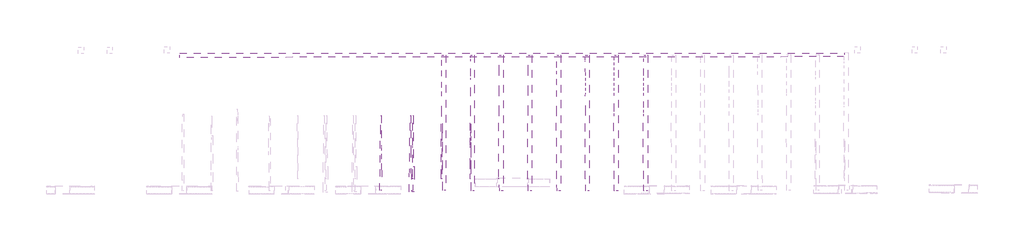
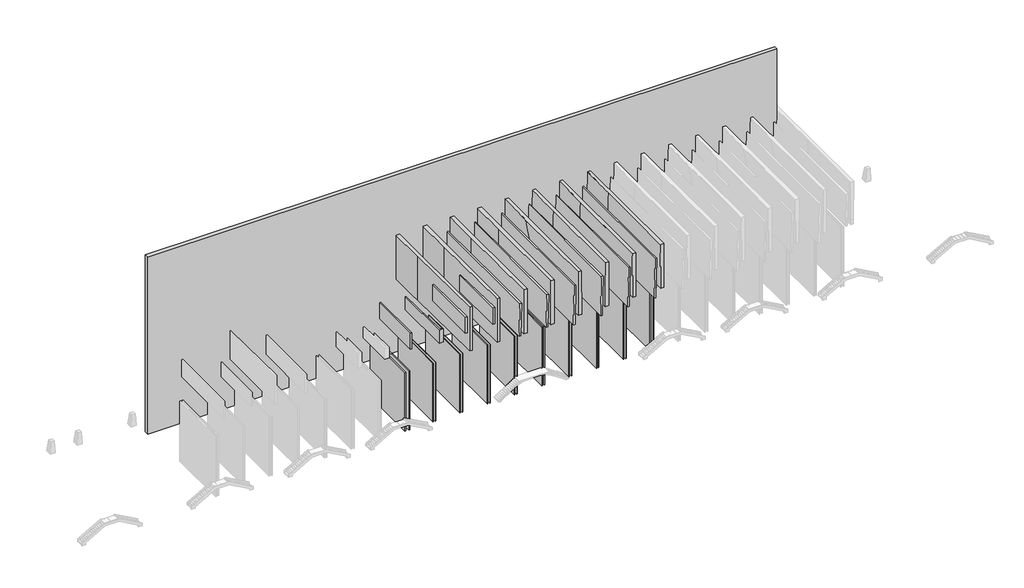
# One storey, part 8 of 9: 11 proxies.
"""IFC4 building model written with IfcOpenShell, lengths in millimetres."""

import ifcopenshell
import ifcopenshell.guid

model = None  # the IFC model being written
_history = None  # IfcOwnerHistory: only IFC2X3 demands one
_inside = {}  # id of a spatial element -> (the spatial element, [elements in it])
_under = {}  # id of a project, library or spatial element -> (it, [spatial elements below it])
_declared = {}  # id of a project -> (the project, [libraries it declares])
_typed = {}  # id of a type object -> (the type object, [elements of that type])
_made_of = {}  # id of a material, layer set ... -> (it, [elements and type objects made of it])


def new_model(schema):
    """Start an empty IFC model of exactly this schema.

    Asked for "IFC4X3", IfcOpenShell would pick the latest addendum, in which some entities
    have other attributes; the version numbers below select the first issue.
    IFC2X3 requires an IfcOwnerHistory on every rooted entity: one is made here for all.
    """
    global model, _history
    if schema == "IFC4X3":
        model = ifcopenshell.file(schema_version=(4, 3, 0, 0))
    else:
        model = ifcopenshell.file(schema=schema)
    _inside.clear()
    _under.clear()
    _declared.clear()
    _typed.clear()
    _made_of.clear()
    _history = None
    if model.schema == "IFC2X3":
        org = make("IfcOrganization", Name="unknown")
        user = make(
            "IfcPersonAndOrganization",
            ThePerson=make("IfcPerson", FamilyName="unknown"),
            TheOrganization=org,
        )
        app = make(
            "IfcApplication",
            ApplicationDeveloper=org,
            Version="unknown",
            ApplicationFullName="unknown",
            ApplicationIdentifier="unknown",
        )
        _history = make(
            "IfcOwnerHistory",
            OwningUser=user,
            OwningApplication=app,
            ChangeAction="ADDED",
            CreationDate=0,
        )
    return model


def make(cls, **values):
    """One entity of the class cls with the attributes given. An attribute that is None is left unset."""
    return model.create_entity(
        cls, **{name: value for name, value in values.items() if value is not None}
    )


def rooted(cls, **values):
    """An entity with a GlobalId (a new one), such as an element, a storey or a relation."""
    return make(cls, GlobalId=ifcopenshell.guid.new(), OwnerHistory=_history, **values)


def si_unit(unit_type, name, prefix=None):
    """IfcSIUnit, for example si_unit("LENGTHUNIT", "METRE", prefix="MILLI")."""
    return make("IfcSIUnit", UnitType=unit_type, Prefix=prefix, Name=name)


def assignment(units):
    """IfcUnitAssignment: the units of a project."""
    return None if units is None else make("IfcUnitAssignment", Units=units)


def point(xyz):
    """IfcCartesianPoint."""
    return None if xyz is None else make("IfcCartesianPoint", Coordinates=xyz)


def direction(xyz):
    """IfcDirection."""
    return None if xyz is None else make("IfcDirection", DirectionRatios=xyz)


def frame(location, z_axis=None, x_axis=None):
    """IfcAxis2Placement3D, a coordinate frame: its origin and axes. An axis left out is left unset."""
    return make(
        "IfcAxis2Placement3D",
        Location=point(location),
        Axis=direction(z_axis),
        RefDirection=direction(x_axis),
    )


def origin():
    """The frame at (0, 0, 0) with its axes left unset."""
    return frame((0.0, 0.0, 0.0))


def place(relative_to, where):
    """IfcLocalPlacement: puts the frame where relative to a parent placement (None: the world)."""
    return make(
        "IfcLocalPlacement", PlacementRelTo=relative_to, RelativePlacement=where
    )


def context(
    kind, dimensions, precision=None, world=None, true_north=None, identifier=None
):
    """IfcGeometricRepresentationContext, for example the 3D "Model" context."""
    return make(
        "IfcGeometricRepresentationContext",
        ContextIdentifier=identifier,
        ContextType=kind,
        CoordinateSpaceDimension=dimensions,
        Precision=precision,
        WorldCoordinateSystem=world,
        TrueNorth=true_north,
    )


def project(units=None, contexts=None):
    """IfcProject with its units and contexts."""
    return rooted(
        "IfcProject",
        Name="project",
        RepresentationContexts=contexts,
        UnitsInContext=assignment(units),
    )


def spatial(cls, under=None, at=None, **own):
    """A site, building, storey or space (cls), placed at a placement, below another one or the project."""
    s = rooted(cls, ObjectPlacement=at, **own)
    if under is not None:
        _under.setdefault(under.id(), (under, []))[1].append(s)
    return s


def polyline(points):
    """IfcPolyline through the points."""
    return make("IfcPolyline", Points=[point(p) for p in points])


def outline(outer, holes=None, kind="AREA"):
    """IfcArbitraryClosedProfileDef: a profile drawn as a closed curve; with holes, ...WithVoids."""
    if holes is None:
        return make("IfcArbitraryClosedProfileDef", ProfileType=kind, OuterCurve=outer)
    return make(
        "IfcArbitraryProfileDefWithVoids",
        ProfileType=kind,
        OuterCurve=outer,
        InnerCurves=holes,
    )


def extrude(swept, where, along, depth):
    """IfcExtrudedAreaSolid: the profile swept, set in the frame where, extruded along a direction by depth."""
    return make(
        "IfcExtrudedAreaSolid",
        SweptArea=swept,
        Position=where,
        ExtrudedDirection=direction(along),
        Depth=depth,
    )


def faces_of(points, faces, orient=None, outer=None):
    """IfcFace entities. A face is a list of loops; a loop is a list of indices into points, from 0.

    orient and outer hold one flag for each loop. By default every Orientation is true, the
    first loop of a face is its IfcFaceOuterBound and the others are IfcFaceBound.
    """
    made = []
    for i, loops in enumerate(faces):
        bounds = []
        for j, loop in enumerate(loops):
            is_outer = j == 0 if outer is None else outer[i][j]
            bounds.append(
                make(
                    "IfcFaceOuterBound" if is_outer else "IfcFaceBound",
                    Bound=make("IfcPolyLoop", Polygon=[points[k] for k in loop]),
                    Orientation=True if orient is None else orient[i][j],
                )
            )
        made.append(make("IfcFace", Bounds=bounds))
    return made


def faceted_brep(points, faces, orient=None, outer=None, voids=None):
    """IfcFacetedBrep: a solid bounded by flat faces; with voids (closed shells), ...WithVoids."""
    shared = [point(p) for p in points]
    hull = make("IfcClosedShell", CfsFaces=faces_of(shared, faces, orient, outer))
    if voids is None:
        return make("IfcFacetedBrep", Outer=hull)
    return make(
        "IfcFacetedBrepWithVoids",
        Outer=hull,
        Voids=[
            make(cls, CfsFaces=faces_of(shared, fs, o, b)) for cls, fs, o, b in voids
        ],
    )


def shape(context_of_items, identifier, shape_type, items):
    """IfcShapeRepresentation: the items that make up one representation, for example the "Body"."""
    return make(
        "IfcShapeRepresentation",
        ContextOfItems=context_of_items,
        RepresentationIdentifier=identifier,
        RepresentationType=shape_type,
        Items=items,
    )


def made_of(thing, what):
    """Note that an element or type object is made of a material, layer set ...; save() writes the relation."""
    if what is not None:
        _made_of.setdefault(what.id(), (what, []))[1].append(thing)
    return thing


def element(
    cls,
    number,
    at=None,
    inside=None,
    cuts=None,
    type_object=None,
    material=None,
    context=None,
    identifier="Body",
    shape_type=None,
    held_by="IfcProductDefinitionShape",
    body=None,
    shapes=None,
    **own,
):
    """One element of the class cls, such as IfcWall. Its Tag is "e" and its number.

    at: its placement. inside: the storey or other place that contains it. cuts: it is an
    opening in that element (IfcRelVoidsElement). A single representation is given by context,
    identifier, shape_type and body (its items); several are given by shapes. held_by: the class
    of the entity that holds the representations. save() writes the other relations.
    """
    e = rooted(cls, Tag="e%d" % number, ObjectPlacement=at, **own)
    if body is not None:
        shapes = [shape(context, identifier, shape_type, body)]
    if shapes is not None:
        e.Representation = make(held_by, Representations=shapes)
    if inside is not None:
        _inside.setdefault(inside.id(), (inside, []))[1].append(e)
    if cuts is not None:
        rooted(
            "IfcRelVoidsElement", RelatingBuildingElement=cuts, RelatedOpeningElement=e
        )
    if type_object is not None:
        _typed.setdefault(type_object.id(), (type_object, []))[1].append(e)
    return made_of(e, material)


def aggregate(whole, parts):
    """IfcRelAggregates: a whole, such as a stair, and the parts it consists of."""
    return rooted("IfcRelAggregates", RelatingObject=whole, RelatedObjects=parts)


def save(model, path):
    """Write the relations noted so far, then the file.

    IfcRelAggregates (storeys below a building ...), IfcRelContainedInSpatialStructure (elements
    in a storey), IfcRelDefinesByType, IfcRelAssociatesMaterial and IfcRelDeclares: one each for
    every whole, place, type object, material and project.
    """
    for whole, parts in _under.values():
        aggregate(whole, parts)
    for where, things in _inside.values():
        rooted(
            "IfcRelContainedInSpatialStructure",
            RelatedElements=things,
            RelatingStructure=where,
        )
    for kind, things in _typed.values():
        rooted("IfcRelDefinesByType", RelatedObjects=things, RelatingType=kind)
    for what, things in _made_of.values():
        rooted("IfcRelAssociatesMaterial", RelatedObjects=things, RelatingMaterial=what)
    for by, libraries in _declared.values():
        rooted("IfcRelDeclares", RelatingContext=by, RelatedDefinitions=libraries)
    model.write(path)


def plane_surface(at):
    """IfcPlane: the flat surface through the origin of the frame at, square to its z axis."""
    return make("IfcPlane", Position=at)


def spline_surface(u_degree, v_degree, points, u_multiplicities, v_multiplicities, u_knots, v_knots, weights=None):
    """IfcBSplineSurfaceWithKnots; with weights, IfcRationalBSplineSurfaceWithKnots. points: one row for each step in u."""
    own = dict(
        UDegree=u_degree,
        VDegree=v_degree,
        ControlPointsList=[[point(p) for p in row] for row in points],
        SurfaceForm="UNSPECIFIED",
        UClosed=False,
        VClosed=False,
        SelfIntersect=False,
        UMultiplicities=u_multiplicities,
        VMultiplicities=v_multiplicities,
        UKnots=u_knots,
        VKnots=v_knots,
        KnotSpec="UNSPECIFIED",
    )
    if weights is None:
        return make("IfcBSplineSurfaceWithKnots", **own)
    return make("IfcRationalBSplineSurfaceWithKnots", WeightsData=weights, **own)


def advanced_brep(points, edges, surfaces, faces):
    """IfcAdvancedBrep: a solid bounded by faces that lie on surfaces and meet in shared edges.

    An edge is (start, end): straight between two places in points (the first is 0);
    or (start, end, curve); or (start, end, curve, False) where it runs against its curve.
    A face is (place in surfaces, loops), or (place, loops, False) where it looks against
    its surface's normal. A loop lists edges by number (the first is 1), with a minus sign
    where the edge is run from its end to its start. The first loop is the outer one.
    """
    corners = [point(p) for p in points]
    vertices = [make("IfcVertexPoint", VertexGeometry=c) for c in corners]
    made = []
    for start, end, *more in edges:
        made.append(
            make(
                "IfcEdgeCurve",
                EdgeStart=vertices[start],
                EdgeEnd=vertices[end],
                EdgeGeometry=more[0] if more else make("IfcPolyline", Points=[corners[start], corners[end]]),
                SameSense=more[1] if len(more) > 1 else True,
            )
        )
    hull = []
    for where, loops, *sense in faces:
        bounds = []
        for j, loop in enumerate(loops):
            ring = [make("IfcOrientedEdge", EdgeElement=made[abs(k) - 1], Orientation=k > 0) for k in loop]
            bounds.append(
                make(
                    "IfcFaceOuterBound" if j == 0 else "IfcFaceBound",
                    Bound=make("IfcEdgeLoop", EdgeList=ring),
                    Orientation=True,
                )
            )
        hull.append(make("IfcAdvancedFace", Bounds=bounds, FaceSurface=surfaces[where], SameSense=sense[0] if sense else True))
    return make("IfcAdvancedBrep", Outer=make("IfcClosedShell", CfsFaces=hull))


model = new_model("IFC4")

# Units and contexts
model_context = context("Model", 3, world=origin())
ifc_project = project(units=[si_unit("LENGTHUNIT", "METRE", prefix="MILLI")], contexts=[model_context])

# Site, building, storey
site = spatial("IfcSite", under=ifc_project)
building = spatial("IfcBuilding", under=site)
storey = spatial("IfcBuildingStorey", under=building, Elevation=-6062.0)

# Proxies
placement = place(None, origin())
element("IfcBuildingElementProxy", 1, Name="Massa 10 : Massa 1", ObjectType="Massa 10 : Massa 1", at=placement, inside=storey, context=model_context, shape_type="Brep", body=[
    faceted_brep([(-6947.1671904, 102842.4138944, -3119.1914409), (-6960.4124005, 113392.808065, -3119.1914409), (-6960.4124005, 113392.808065, 7747.0), (-6947.1671904, 102842.4138944, 7747.0), (-7056.8243438, 113392.6870272, -3119.1914409), (-7056.8243438, 113392.6870272, 4529.2990235), (-7056.8243438, 113392.6870272, 6280.1925419), (-7056.8243438, 113392.6870272, 7747.0), (-7050.5489488, 108394.05802, -3119.1914409), (-7050.1343227, 108063.7900495, -3119.1914409), (-7044.0033937, 103180.2346763, -3119.1914409), (-7043.6046877, 102862.647744, -3119.1914409), (-7043.5791337, 102842.2928566, -3119.1914409), (-7043.5791337, 102842.2928566, 7747.0)], [[[0, 1, 2, 3]], [[1, 4, 5, 6, 7, 2]], [[4, 8, 9, 10, 11, 12, 13, 7, 6, 5]], [[12, 0, 3, 13]], [[3, 2, 7, 13]], [[0, 12, 11, 10, 9, 8, 4, 1]]]),
    faceted_brep([(-7447.0869551, 102834.5982087, -3119.1914409), (-7352.8720596, 102834.7164883, -3119.1914409), (-7352.8720596, 102834.7164883, 7747.0), (-7447.0869551, 102834.5982087, 7747.0), (-7352.9066377, 102862.2594392, -3119.1914409), (-7353.3053437, 103179.8463714, -3119.1914409), (-7359.4362726, 108063.4017446, -3119.1914409), (-7359.8508987, 108393.6697152, -3119.1914409), (-7366.1262937, 113392.2987223, -3119.1914409), (-7366.1262937, 113392.2987223, 4529.2990235), (-7366.1262937, 113392.2987223, 6280.1925419), (-7366.1262937, 113392.2987223, 7747.0), (-7460.3411892, 113392.1804428, -3119.1914409), (-7460.3411892, 113392.1804428, 7747.0)], [[[0, 1, 2, 3]], [[1, 4, 5, 6, 7, 8, 9, 10, 11, 2]], [[8, 12, 13, 11, 10, 9]], [[12, 0, 3, 13]], [[2, 11, 13, 3]], [[0, 12, 8, 7, 6, 5, 4, 1]]]),
    faceted_brep([(-7002.6356925, 116647.5321907, 9285.0423205), (-6853.405449, 100875.4602083, 9285.0423205), (-6853.405449, 100875.4602083, 17350.0), (-7002.6356925, 116647.5321907, 17350.0), (-7002.6356925, 116647.5321907, 13615.9286409), (-7002.6356925, 116647.5321907, 12610.726002), (-7002.6356925, 116647.5321907, 11553.5332284), (-7002.6356925, 116647.5321907, 10503.789498), (-6354.958483, 100875.9116131, 9285.0423205), (-6354.958483, 100875.9116131, 17350.0), (-6375.3720445, 123416.8324071, 9285.0423205), (-6375.3720445, 123416.8324071, 17350.0), (-7011.1333065, 123416.2566475, 9285.0423205), (-7011.1333065, 123416.2566475, 17350.0), (-7010.7005599, 123071.554893, 9285.0423205), (-7009.8890036, 122425.1144397, 9285.0423205), (-7006.7696378, 119940.4019966, 9285.0423205), (-7004.3897139, 118044.6876443, 9285.0423205)], [[[0, 1, 2, 3, 4, 5, 6, 7]], [[1, 8, 9, 2]], [[8, 10, 11, 9]], [[10, 12, 13, 11]], [[12, 14, 15, 16, 17, 0, 7, 6, 5, 4, 3, 13]], [[13, 3, 2, 9, 11]], [[0, 17, 16, 15, 14, 12, 10, 8, 1]]]),
    faceted_brep([(-7587.3033654, 100973.5972585, 12781.3636914), (-7211.8843999, 100973.3879499, 12781.3636914), (-7211.8843999, 100973.3879499, 15781.3636914), (-7587.3033654, 100973.5972585, 15781.3636914), (-7409.4979317, 110938.2893219, 12781.3636914), (-7409.4979317, 110938.2893219, 13032.4667996), (-7409.4979317, 110938.2893219, 14467.9795699), (-7409.4979317, 110938.2893219, 15781.3636914), (-7572.2208039, 110939.2049324, 12781.3636914), (-7572.2208039, 110939.2049324, 15781.3636914)], [[[0, 1, 2, 3]], [[1, 4, 5, 6, 7, 2]], [[4, 8, 9, 7, 6, 5]], [[8, 0, 3, 9]], [[3, 2, 7, 9]], [[0, 8, 4, 1]]]),
])
element("IfcBuildingElementProxy", 2, Name="Massa 11 : Massa 1", ObjectType="Massa 11 : Massa 1", at=placement, inside=storey, context=model_context, shape_type="Brep", body=[
    faceted_brep([(-2203.1523087, 102846.6103539, -3119.1914409), (-2212.1531588, 113397.0089991, -3119.1914409), (-2212.1531588, 113397.0089991, 7747.0), (-2203.1523087, 102846.6103539, 7747.0), (-2250.2937989, 113396.9764602, -3119.1914409), (-2308.5651431, 113396.9267473, -3119.1914409), (-2308.5651431, 113396.9267473, 6280.1925419), (-2308.5651431, 113396.9267473, 7747.0), (-2308.5614778, 113392.6304582, -3119.1914409), (-2304.2842041, 108378.9993365, -3119.1914409), (-2304.0345119, 108086.3212135, -3119.1914409), (-2299.857467, 103190.1737723, -3119.1914409), (-2299.577993, 102862.586709, -3119.1914409), (-2299.5642929, 102846.528102, -3119.1914409), (-2299.5642929, 102846.528102, 7747.0)], [[[0, 1, 2, 3]], [[1, 4, 5, 6, 7, 2]], [[5, 8, 9, 10, 11, 12, 13, 14, 7, 6]], [[13, 0, 3, 14]], [[3, 2, 7, 14]], [[0, 13, 12, 11, 10, 9, 8, 5, 4, 1]]]),
    faceted_brep([(-2703.0751771, 102838.9957834, -3119.1914409), (-2608.8602417, 102839.0761609, -3119.1914409), (-2608.8602417, 102839.0761609, 7747.0), (-2703.0751771, 102838.9957834, 7747.0), (-2608.8800741, 102862.3228344, -3119.1914409), (-2609.1595481, 103189.9098977, -3119.1914409), (-2613.336593, 108086.057339, -3119.1914409), (-2613.5862852, 108378.7354619, -3119.1914409), (-2617.8635589, 113392.3665837, -3119.1914409), (-2617.8672242, 113396.6628727, -3119.1914409), (-2617.8672242, 113396.6628727, 6280.1925419), (-2617.8672242, 113396.6628727, 7747.0), (-2670.293646, 113396.6181462, -3119.1914409), (-2712.0821596, 113396.5824952, -3119.1914409), (-2712.0821596, 113396.5824952, 7747.0)], [[[0, 1, 2, 3]], [[1, 4, 5, 6, 7, 8, 9, 10, 11, 2]], [[9, 12, 13, 14, 11, 10]], [[13, 0, 3, 14]], [[2, 11, 14, 3]], [[0, 13, 12, 9, 8, 7, 6, 5, 4, 1]]]),
    faceted_brep([(-2253.0670919, 116651.7498477, 9233.246536), (-2209.0957233, 100877.8980794, 9233.246536), (-2209.0957233, 100877.8980794, 17350.0), (-2253.0670919, 116651.7498477, 17350.0), (-2253.0670919, 116651.7498477, 13610.6845079), (-2253.0670919, 116651.7498477, 12627.4488446), (-2253.0670919, 116651.7498477, 11532.349844), (-2253.0670919, 116651.7498477, 10487.4192595), (-1611.7339198, 100878.1987485, 9233.246536), (-1611.7339198, 100878.1987485, 17350.0), (-1623.0802468, 123420.7971719, 9233.246536), (-1623.0802468, 123420.7971719, 17350.0), (-2258.841689, 123420.4771752, 9233.246536), (-2258.841689, 123420.4771752, 17350.0)], [[[0, 1, 2, 3, 4, 5, 6, 7]], [[1, 8, 9, 2]], [[8, 10, 11, 9]], [[10, 12, 13, 11]], [[12, 0, 7, 6, 5, 4, 3, 13]], [[13, 3, 2, 9, 11]], [[0, 12, 10, 8, 1]]]),
    faceted_brep([(-2936.2853336, 100978.051392, 8978.522173), (-2630.7794565, 100977.758159, 8978.522173), (-2513.6847838, 100977.758159, 14928.9790117), (-2819.1906608, 100978.051392, 14928.9790117), (-2728.7755516, 123465.9789831, 8978.522173), (-2611.6808789, 123465.9789831, 14928.9790117), (-2891.4980423, 123466.960056, 8978.522173), (-2774.4033695, 123466.960056, 14928.9790117)], [[[0, 1, 2, 3]], [[1, 4, 5, 2]], [[4, 6, 7, 5]], [[6, 0, 3, 7]], [[3, 2, 5, 7]], [[0, 6, 4, 1]]]),
])
element("IfcBuildingElementProxy", 3, Name="Massa 12 : Massa 1", ObjectType="Massa 12 : Massa 1", at=placement, inside=storey, context=model_context, shape_type="Brep", body=[
    faceted_brep([(2587.0678008, 102856.6103539, -3119.1914409), (2578.0706159, 113402.7127101, -3119.1914409), (2578.0706159, 113402.7127101, 7747.0), (2587.0678008, 102856.6103539, 7747.0), (2481.6586316, 113402.6304582, -3119.1914409), (2481.6586316, 113402.6304582, 7747.0), (2485.9359053, 108388.9993365, -3119.1914409), (2486.2021253, 108076.9480765, -3119.1914409), (2490.3626425, 103200.1737723, -3119.1914409), (2490.6421165, 102872.586709, -3119.1914409), (2490.6558165, 102856.528102, -3119.1914409), (2490.6558165, 102856.528102, 7747.0)], [[[0, 1, 2, 3]], [[1, 4, 5, 2]], [[4, 6, 7, 8, 9, 10, 11, 5]], [[10, 0, 3, 11]], [[3, 2, 5, 11]], [[0, 10, 9, 8, 7, 6, 4, 1]]]),
    faceted_brep([(2087.1449323, 102848.9957834, -3119.1914409), (2181.3598678, 102849.0761609, -3119.1914409), (2181.3598678, 102849.0761609, 7747.0), (2087.1449323, 102848.9957834, 7747.0), (2181.3400354, 102872.3228344, -3119.1914409), (2181.0605614, 103199.9098977, -3119.1914409), (2176.9000442, 108076.684202, -3119.1914409), (2176.6338242, 108388.7354619, -3119.1914409), (2172.3565505, 113402.3665837, -3119.1914409), (2172.3565505, 113402.3665837, 7747.0), (2078.1416151, 113402.2862062, -3119.1914409), (2078.1416151, 113402.2862062, 7747.0)], [[[0, 1, 2, 3]], [[1, 4, 5, 6, 7, 8, 9, 2]], [[8, 10, 11, 9]], [[10, 0, 3, 11]], [[2, 9, 11, 3]], [[0, 10, 8, 7, 6, 5, 4, 1]]]),
    faceted_brep([(2537.1530175, 116661.7498477, 9233.246536), (2549.94694, 100887.882387, 9233.246536), (2549.94694, 100887.882387, 17350.0), (2537.1530175, 116661.7498477, 17350.0), (2537.1530175, 116661.7498477, 13620.4148919), (2537.1530175, 116661.7498477, 12627.4488446), (2537.1530175, 116661.7498477, 11532.349844), (2537.1530175, 116661.7498477, 10487.4626875), (3147.3087434, 100888.183056, 9233.246536), (3147.3087434, 100888.183056, 17350.0), (3167.1398627, 123430.7971719, 9233.246536), (3167.1398627, 123430.7971719, 17350.0), (2531.3784205, 123430.4771752, 9233.246536), (2531.3784205, 123430.4771752, 17350.0)], [[[0, 1, 2, 3, 4, 5, 6, 7]], [[1, 8, 9, 2]], [[8, 10, 11, 9]], [[10, 12, 13, 11]], [[12, 0, 7, 6, 5, 4, 3, 13]], [[13, 3, 2, 9, 11]], [[0, 12, 10, 8, 1]]]),
    faceted_brep([(1797.3793943, 100988.1056754, 8978.522173), (2102.8852714, 100987.8124424, 8978.522173), (2219.9799441, 100987.8124424, 14928.9790117), (1914.474067, 100988.1056754, 14928.9790117), (2061.4445578, 123475.9789831, 8978.522173), (2178.5392306, 123475.9789831, 14928.9790117), (1898.7220672, 123476.960056, 8978.522173), (2015.8167399, 123476.960056, 14928.9790117)], [[[0, 1, 2, 3]], [[1, 4, 5, 2]], [[4, 6, 7, 5]], [[6, 0, 3, 7]], [[3, 2, 5, 7]], [[0, 6, 4, 1]]]),
])
element("IfcBuildingElementProxy", 4, Name="Massa 13 : Massa 1", ObjectType="Massa 13 : Massa 1", at=placement, inside=storey, context=model_context, shape_type="SolidModel", body=[
    faceted_brep([(7355.9420763, 102851.5398285, -3119.1914409), (7325.1561149, 113397.6010877, -3119.1914409), (7325.1561149, 113397.6010877, 7747.0), (7355.9420763, 102851.5398285, 7747.0), (7228.7445064, 113397.3196438, -3119.1914409), (7228.7445064, 113397.3196438, 4536.645908), (7228.7445064, 113397.3196438, 6280.1925419), (7228.7445064, 113397.3196438, 7747.0), (7243.356948, 108391.6710445, -3119.1914409), (7244.3495106, 108051.658101, -3119.1914409), (7258.5273046, 103194.9027158, -3119.1914409), (7259.4835899, 102867.3169291, -3119.1914409), (7259.5304678, 102851.2583847, -3119.1914409), (7259.5304678, 102851.2583847, 7747.0)], [[[0, 1, 2, 3]], [[1, 4, 5, 6, 7, 2]], [[4, 8, 9, 10, 11, 12, 13, 7, 6, 5]], [[12, 0, 3, 13]], [[3, 2, 7, 13]], [[0, 12, 11, 10, 9, 8, 4, 1]]]),
    faceted_brep([(6856.036007, 102842.8924077, -3119.1914409), (6950.2505753, 102843.167438, -3119.1914409), (6950.2505753, 102843.167438, 7747.0), (6856.036007, 102842.8924077, 7747.0), (6950.1827141, 102866.4140209, -3119.1914409), (6949.2264288, 103193.9998076, -3119.1914409), (6935.0486348, 108050.7551928, -3119.1914409), (6934.0560722, 108390.7681363, -3119.1914409), (6919.4436306, 113396.4167357, -3119.1914409), (6919.4436306, 113396.4167357, 4536.645908), (6919.4436306, 113396.4167357, 6280.1925419), (6919.4436306, 113396.4167357, 7747.0), (6825.2290623, 113396.1417054, -3119.1914409), (6825.2290623, 113396.1417054, 7747.0)], [[[0, 1, 2, 3]], [[1, 4, 5, 6, 7, 8, 9, 10, 11, 2]], [[8, 12, 13, 11, 10, 9]], [[12, 0, 3, 13]], [[2, 11, 13, 3]], [[0, 12, 8, 7, 6, 5, 4, 1]]]),
    advanced_brep(
    [(7287.0156235, 113397.4897483, 9285.0423205), (7337.1553372, 100882.7393698, 9285.0423205), (7322.8887891, 100882.7393698, 17350.0), (7277.5052637, 116656.5467317, 17350.0), (7281.5610561, 115266.687785, 13910.6144222), (7284.0938512, 114398.7370775, 11762.7582296), (7934.5152445, 100884.2742188, 9285.0423205), (7920.2486964, 100884.2742188, 17350.0), (7907.7721087, 123426.8811944, 9285.0423205), (7893.5055606, 123426.8811944, 17350.0), (7257.7427952, 123425.2110173, 9285.0423205), (7371.043018, 123425.5387858, 17350.0)],
    [
        (0, 1),
        (1, 2),
        (2, 3),
        (3, 4),
        (4, 5),
        (5, 0),
        (1, 6),
        (6, 7),
        (7, 2),
        (6, 8),
        (8, 9),
        (9, 7),
        (8, 10),
        (10, 11),
        (11, 9),
        (10, 0),
        (3, 11),
    ],
    [
        spline_surface(1, 1, [[(7287.0156235, 113397.4897483, 9285.0423205), (7277.5052637, 116656.5467317, 17350.0)], [(7337.1553372, 100882.7393698, 9285.0423205), (7322.8887891, 100882.7393698, 17350.0)]], [2, 2], [2, 2], [0.0, 1.0], [0.0, 1.0]),
        plane_surface(frame((7635.8352909, 100883.5067943, 9285.0423205), z_axis=(0.002569378854948867, -0.999996699130373, 4.545115854792754e-06), x_axis=(0.999996699140702, 0.002569378854975406, 0.0))),
        plane_surface(frame((7921.1436766, 112155.5777066, 9285.0423205), z_axis=(0.9999977317085122, 0.0011863346247768978, 0.001768951098453295), x_axis=(-0.001186336480913283, 0.9999992963026295, 0.0))),
        plane_surface(frame((7582.7574519, 123426.0461059, 9285.0423205), z_axis=(-0.0025693788549357686, 0.9999966991303731, -4.545114233952117e-06), x_axis=(-0.9999966991407021, -0.0025693788549623077, 0.0))),
        spline_surface(1, 1, [[(7257.7427952, 123425.2110173, 9285.0423205), (7371.043018, 123425.5387858, 17350.0)], [(7287.0156235, 113397.4897483, 9285.0423205), (7277.5052637, 116656.5467317, 17350.0)]], [2, 2], [2, 2], [0.0, 1.0], [0.0, 1.0]),
        plane_surface(frame((7557.0382656, 113055.1960601, 17350.0), z_axis=(0.0, 0.0, 1.0), x_axis=(-0.013817245488290003, -0.9999045373069952, 0.0))),
        plane_surface(frame((7544.8402218, 112403.3191097, 9285.0423205), z_axis=(0.0, 0.0, -1.0), x_axis=(-0.0029191780248704847, 0.9999957391907524, 0.0))),
    ],
    [
        (0, [[1, 2, 3, 4, 5, 6]]),
        (1, [[7, 8, 9, -2]]),
        (2, [[10, 11, 12, -8]]),
        (3, [[13, 14, 15, -11]]),
        (4, [[16, -6, -5, -4, 17, -14]]),
        (5, [[-17, -3, -9, -12, -15]]),
        (6, [[-16, -13, -10, -7, -1]]),
    ],
),
    advanced_brep(
    [(6554.595875, 100981.4076007, 7747.0), (6847.7912307, 100981.6974396, 7747.0), (6992.7160368, 100981.9874831, 14928.9790117), (6687.2102059, 100981.6495244, 14928.9790117), (6795.0847597, 123469.5799917, 7747.0), (6940.0095657, 123469.8700352, 14928.9790117), (6609.4751892, 123470.4233629, 7747.0), (6742.0895202, 123470.6652865, 14928.9790117)],
    [
        (0, 1),
        (1, 2),
        (2, 3),
        (3, 0),
        (1, 4),
        (4, 5),
        (5, 2),
        (4, 6),
        (6, 7),
        (7, 5),
        (6, 0),
        (3, 7),
    ],
    [
        spline_surface(1, 1, [[(6554.595875, 100981.4076007, 7747.0), (6687.2102059, 100981.6495244, 14928.9790117)], [(6847.7912307, 100981.6974396, 7747.0), (6992.7160368, 100981.9874831, 14928.9790117)]], [2, 2], [2, 2], [0.0, 1.0], [0.0, 1.0]),
        plane_surface(frame((6821.4379952, 112225.6387157, 7747.0), z_axis=(0.9997937202592944, 0.0023432885984477556, -0.020174883608692563), x_axis=(-0.002343765633685888, 0.9999972533775552, 0.0))),
        spline_surface(1, 1, [[(6795.0847597, 123469.5799917, 7747.0), (6940.0095657, 123469.8700352, 14928.9790117)], [(6609.4751892, 123470.4233629, 7747.0), (6742.0895202, 123470.6652865, 14928.9790117)]], [2, 2], [2, 2], [0.0, 1.0], [0.0, 1.0]),
        plane_surface(frame((6582.0355321, 112225.9154818, 7747.0), z_axis=(-0.9998265934004594, 0.0024398487861895216, 0.01846158896555532), x_axis=(-0.0024402646796611344, -0.999997022549714, 0.0))),
        plane_surface(frame((6840.5063321, 112226.0430823, 14928.9790117), z_axis=(0.0, 0.0, 1.0), x_axis=(0.9999993881318485, 0.0011062259844060113, 0.0))),
        plane_surface(frame((6701.7367637, 112225.7770987, 7747.0), z_axis=(0.0, 0.0, -1.0000000000000002), x_axis=(0.002440264679661273, 0.9999970225497141, 0.0))),
    ],
    [
        (0, [[1, 2, 3, 4]]),
        (1, [[5, 6, 7, -2]]),
        (2, [[8, 9, 10, -6]]),
        (3, [[11, -4, 12, -9]]),
        (4, [[-3, -7, -10, -12]]),
        (5, [[-11, -8, -5, -1]]),
    ],
),
])
element("IfcBuildingElementProxy", 5, Name="Massa 14 : Massa 1", ObjectType="Massa 14 : Massa 1", at=placement, inside=storey, context=model_context, shape_type="SolidModel", body=[
    faceted_brep([(12118.3034992, 102851.4257497, -3225.8734666), (12092.3301824, 113411.7270844, -3225.8734666), (12092.3301824, 113411.7270844, 7747.0), (12118.3034992, 102851.4257497, 7747.0), (11995.9184547, 113411.4899574, -3225.8734666), (11995.9184547, 113411.4899574, 4563.1165786), (11995.9184547, 113411.4899574, 6280.1925419), (11995.9184547, 113411.4899574, 7747.0), (12021.8917714, 102851.1886227, -3225.8734666), (12021.8917714, 102851.1886227, 7747.0)], [[[0, 1, 2, 3]], [[1, 4, 5, 6, 7, 2]], [[4, 8, 9, 7, 6, 5]], [[8, 0, 3, 9]], [[3, 2, 7, 9]], [[0, 8, 4, 1]]]),
    faceted_brep([(11618.3935077, 102843.0081181, -3225.8734666), (11712.6081925, 102843.2398414, -3225.8734666), (11712.6081925, 102843.2398414, 7747.0), (11618.3935077, 102843.0081181, 7747.0), (11686.6171965, 113410.7292235, -3225.8734666), (11686.6171965, 113410.7292235, 4563.1165786), (11686.6171965, 113410.7292235, 6280.1925419), (11686.6171965, 113410.7292235, 7747.0), (11592.4025118, 113410.4975002, -3225.8734666), (11592.4025118, 113410.4975002, 7747.0)], [[[0, 1, 2, 3]], [[1, 4, 5, 6, 7, 2]], [[4, 8, 9, 7, 6, 5]], [[8, 0, 3, 9]], [[2, 7, 9, 3]], [[0, 8, 4, 1]]]),
    advanced_brep(
    [(12057.588251, 116656.4672489, 9233.246536), (12095.7211375, 100882.6406923, 9233.246536), (12084.3452309, 100882.6406923, 17350.0), (12046.2123444, 116656.4672489, 17350.0), (12051.4336677, 116656.4672489, 13624.5655887), (12052.8510627, 116656.4672489, 12613.2487633), (12054.3478168, 116656.4672489, 11545.3088711), (12055.822907, 116656.4672489, 10492.8263395), (12693.0816872, 100883.900957, 9233.246536), (12681.7057806, 100883.900957, 17350.0), (12676.7005544, 123426.5178439, 9233.246536), (12665.3246478, 123426.5178439, 17350.0), (12040.9404466, 123425.1765669, 9233.246536), (12142.8615433, 123425.415592, 17350.0)],
    [
        (0, 1),
        (1, 2),
        (2, 3),
        (3, 4),
        (4, 5),
        (5, 6),
        (6, 7),
        (7, 0),
        (1, 8),
        (8, 9),
        (9, 2),
        (8, 10),
        (10, 11),
        (11, 9),
        (10, 12),
        (12, 13),
        (13, 11),
        (12, 0),
        (3, 13),
    ],
    [
        plane_surface(frame((12076.6546942, 108769.5539706, 9233.246536), z_axis=(-0.9999960957728329, -0.002417469056810219, -0.0014015286122205746), x_axis=(0.0024174714311097386, -0.9999970779116707, 0.0))),
        plane_surface(frame((12394.4014124, 100883.2708247, 9233.246536), z_axis=(0.0021097171951974694, -0.9999977745398305, 2.9568405565216918e-06), x_axis=(0.9999977745442019, 0.0021097171952066916, 0.0))),
        plane_surface(frame((12684.8911208, 112155.2094004, 9233.246536), z_axis=(0.9999987538259087, 0.000726673059910321, 0.0014015323377474997), x_axis=(-0.0007266737736107362, 0.9999997359725785, 0.0))),
        plane_surface(frame((12358.8205005, 123425.8472054, 9233.246536), z_axis=(-0.0021097171951954814, 0.9999977745398305, -2.956838945681305e-06), x_axis=(-0.9999977745442019, -0.0021097171952047036, 0.0))),
        spline_surface(1, 1, [[(12040.9404466, 123425.1765669, 9233.246536), (12142.8615433, 123425.415592, 17350.0)], [(12057.588251, 116656.4672489, 9233.246536), (12046.2123444, 116656.4672489, 17350.0)]], [2, 2], [2, 2], [0.0, 1.0], [0.0, 1.0]),
        plane_surface(frame((12324.0899094, 113054.9884668, 17350.0), z_axis=(0.0, 0.0, 1.0000000000000002), x_axis=(-0.014276863053414406, -0.9998980803968743, 0.0))),
        plane_surface(frame((12312.8064153, 113054.9406618, 9233.246536), z_axis=(0.0, 0.0, -1.0000000000000002), x_axis=(-0.002459516770425298, 0.9999969753840539, 0.0))),
    ],
    [
        (0, [[1, 2, 3, 4, 5, 6, 7, 8]]),
        (1, [[9, 10, 11, -2]]),
        (2, [[12, 13, 14, -10]]),
        (3, [[15, 16, 17, -13]]),
        (4, [[18, -8, -7, -6, -5, -4, 19, -16]]),
        (5, [[-19, -3, -11, -14, -17]]),
        (6, [[-18, -15, -12, -9, -1]]),
    ],
),
    advanced_brep(
    [(11316.0977521, 100981.6620685, 7747.0), (11609.2932101, 100981.8171364, 7747.0), (11754.2181341, 100982.0405633, 14928.9790117), (11448.7121802, 100981.8430343, 14928.9790117), (11566.92359, 123469.72154, 7747.0), (11625.9419804, 123470.3296318, 14928.9790117), (11381.3144268, 123470.6502289, 7747.0), (11513.928855, 123470.8311946, 14928.9790117)],
    [
        (0, 1),
        (1, 2),
        (2, 3),
        (3, 0),
        (1, 4),
        (4, 5),
        (5, 2),
        (4, 6),
        (6, 7),
        (7, 5),
        (6, 0),
        (3, 7),
    ],
    [
        spline_surface(1, 1, [[(11316.0977521, 100981.6620685, 7747.0), (11448.7121802, 100981.8430343, 14928.9790117)], [(11609.2932101, 100981.8171364, 7747.0), (11754.2181341, 100982.0405633, 14928.9790117)]], [2, 2], [2, 2], [0.0, 1.0], [0.0, 1.0]),
        spline_surface(1, 1, [[(11609.2932101, 100981.8171364, 7747.0), (11754.2181341, 100982.0405633, 14928.9790117)], [(11566.92359, 123469.72154, 7747.0), (11625.9419804, 123470.3296318, 14928.9790117)]], [2, 2], [2, 2], [0.0, 1.0], [0.0, 1.0]),
        spline_surface(1, 1, [[(11566.92359, 123469.72154, 7747.0), (11625.9419804, 123470.3296318, 14928.9790117)], [(11381.3144268, 123470.6502289, 7747.0), (11513.928855, 123470.8311946, 14928.9790117)]], [2, 2], [2, 2], [0.0, 1.0], [0.0, 1.0]),
        plane_surface(frame((11348.7060894, 112226.1561487, 7747.0), z_axis=(-0.9998253662657978, 0.002899431725442487, 0.01846158896555618), x_axis=(-0.0028999259588281066, -0.9999957952058766, 0.0))),
        plane_surface(frame((11585.7002874, 112226.261106, 14928.9790117), z_axis=(0.0, 0.0, 1.0), x_axis=(0.9999997909779644, 0.000646563243218318, 0.0))),
        plane_surface(frame((11468.4072447, 112225.9627434, 7747.0), z_axis=(0.0, 0.0, -1.0), x_axis=(0.0028999259588282926, 0.9999957952058766, 0.0))),
    ],
    [
        (0, [[1, 2, 3, 4]]),
        (1, [[5, 6, 7, -2]]),
        (2, [[8, 9, 10, -6]]),
        (3, [[11, -4, 12, -9]]),
        (4, [[-3, -7, -10, -12]]),
        (5, [[-11, -8, -5, -1]]),
    ],
),
])
element("IfcBuildingElementProxy", 6, Name="Massa 15 : Massa 1", ObjectType="Massa 15 : Massa 1", at=placement, inside=storey, context=model_context, shape_type="SolidModel", body=[
    faceted_brep([(16893.4511901, 102861.7599238, -3225.8734666), (16858.7792152, 113422.0362813, -3225.8734666), (16858.7792152, 113422.0362813, 7747.0), (16893.4511901, 102861.7599238, 7747.0), (16762.3677155, 113421.7197387, -3225.8734666), (16762.3677155, 113421.7197387, 4583.1165786), (16762.3677155, 113421.7197387, 6280.1925419), (16762.3677155, 113421.7197387, 7747.0), (16797.0396905, 102861.4433812, -3225.8734666), (16797.0396905, 102861.4433812, 7747.0)], [[[0, 1, 2, 3]], [[1, 4, 5, 6, 7, 2]], [[4, 8, 9, 7, 6, 5]], [[8, 0, 3, 9]], [[3, 2, 7, 9]], [[0, 8, 4, 1]]]),
    faceted_brep([(16393.548302, 102852.9305122, -3225.8734666), (16487.7627639, 102853.2398414, -3225.8734666), (16487.7627639, 102853.2398414, 7747.0), (16393.548302, 102852.9305122, 7747.0), (16453.0671889, 113420.7042293, -3225.8734666), (16453.0671889, 113420.7042293, 4583.1165786), (16453.0671889, 113420.7042293, 6280.1925419), (16453.0671889, 113420.7042293, 7747.0), (16358.852727, 113420.3949002, -3225.8734666), (16358.852727, 113420.3949002, 7747.0)], [[[0, 1, 2, 3]], [[1, 4, 5, 6, 7, 2]], [[4, 8, 9, 7, 6, 5]], [[8, 0, 3, 9]], [[2, 7, 9, 3]], [[0, 8, 4, 1]]]),
    advanced_brep(
    [(16821.364558, 116666.7467276, 9233.246536), (16899.9063601, 100893.0373556, 9233.246536), (16819.2774482, 100892.8248355, 17350.0), (16809.9886553, 116666.7373571, 17350.0), (16815.2424316, 116666.7416847, 13601.4089688), (16816.655402, 116666.7428486, 12593.2487666), (16818.124125, 116666.7440584, 11545.3088711), (16819.6086812, 116666.7452812, 10486.0719191), (17469.8498607, 100894.7092513, 9233.246536), (17458.473958, 100894.6998808, 17350.0), (17434.9000667, 123437.3049972, 9233.246536), (17423.5241639, 123437.2956267, 17350.0), (16799.1412793, 123435.4400362, 9233.246536), (16901.0621446, 123435.7630151, 17350.0)],
    [
        (0, 1),
        (1, 2),
        (2, 3),
        (3, 4),
        (4, 5),
        (5, 6),
        (6, 7),
        (7, 0),
        (1, 8),
        (8, 9),
        (9, 2),
        (8, 10),
        (10, 11),
        (11, 9),
        (10, 12),
        (12, 13),
        (13, 11),
        (12, 0),
        (3, 13),
    ],
    [
        spline_surface(1, 1, [[(16821.364558, 116666.7467276, 9233.246536), (16809.9886553, 116666.7373571, 17350.0)], [(16899.9063601, 100893.0373556, 9233.246536), (16819.2774482, 100892.8248355, 17350.0)]], [2, 2], [2, 2], [0.0, 1.0], [0.0, 1.0]),
        plane_surface(frame((17184.8781104, 100893.8733035, 9233.246536), z_axis=(0.0029334285431219112, -0.999995697484864, 2.956840554476471e-06), x_axis=(0.9999956974892354, 0.0029334285431347343, 0.0))),
        plane_surface(frame((17452.3749637, 112166.0071243, 9233.246536), z_axis=(0.999997816003284, 0.0015503856838845263, 0.0014015323377616943), x_axis=(-0.0015503872065925602, 0.9999987981490327, 0.0))),
        plane_surface(frame((17117.020673, 123436.3725167, 9233.246536), z_axis=(-0.0029334285431038675, 0.999995697484864, -2.9568389332877865e-06), x_axis=(-0.9999956974892354, -0.0029334285431166906, 0.0))),
        spline_surface(1, 1, [[(16799.1412793, 123435.4400362, 9233.246536), (16901.0621446, 123435.7630151, 17350.0)], [(16821.364558, 116666.7467276, 9233.246536), (16809.9886553, 116666.7373571, 17350.0)]], [2, 2], [2, 2], [0.0, 1.0], [0.0, 1.0]),
        plane_surface(frame((17082.465274, 113065.4641431, 17350.0), z_axis=(0.0, 0.0, 1.0), x_axis=(-0.013453228265557848, -0.9999095012296038, 0.0))),
        plane_surface(frame((17085.032425, 113065.4476736, 9233.246536), z_axis=(0.0, 0.0, -1.0), x_axis=(-0.0032832273415732637, 0.9999946101945868, 0.0))),
    ],
    [
        (0, [[1, 2, 3, 4, 5, 6, 7, 8]]),
        (1, [[9, 10, 11, -2]]),
        (2, [[12, 13, 14, -10]]),
        (3, [[15, 16, 17, -13]]),
        (4, [[18, -8, -7, -6, -5, -4, 19, -16]]),
        (5, [[-19, -3, -11, -14, -17]]),
        (6, [[-18, -15, -12, -9, -1]]),
    ],
),
    advanced_brep(
    [(16092.7858655, 100991.3360889, 7747.0), (16351.7563746, 100991.6843183, 7747.0), (16496.6810654, 100992.0271218, 14928.9790117), (16225.4000996, 100991.626291, 14928.9790117), (16325.0878913, 123479.59454, 7747.0), (16416.3662208, 123480.1333666, 14928.9790117), (16139.4780261, 123480.3703397, 7747.0), (16272.0922602, 123480.6605417, 14928.9790117)],
    [
        (0, 1),
        (1, 2),
        (2, 3),
        (3, 0),
        (1, 4),
        (4, 5),
        (5, 2),
        (4, 6),
        (6, 7),
        (7, 5),
        (6, 0),
        (3, 7),
    ],
    [
        spline_surface(1, 1, [[(16092.7858655, 100991.3360889, 7747.0), (16225.4000996, 100991.626291, 14928.9790117)], [(16351.7563746, 100991.6843183, 7747.0), (16496.6810654, 100992.0271218, 14928.9790117)]], [2, 2], [2, 2], [0.0, 1.0], [0.0, 1.0]),
        spline_surface(1, 1, [[(16351.7563746, 100991.6843183, 7747.0), (16496.6810654, 100992.0271218, 14928.9790117)], [(16325.0878913, 123479.59454, 7747.0), (16416.3662208, 123480.1333666, 14928.9790117)]], [2, 2], [2, 2], [0.0, 1.0], [0.0, 1.0]),
        spline_surface(1, 1, [[(16325.0878913, 123479.59454, 7747.0), (16416.3662208, 123480.1333666, 14928.9790117)], [(16139.4780261, 123480.3703397, 7747.0), (16272.0922602, 123480.6605417, 14928.9790117)]], [2, 2], [2, 2], [0.0, 1.0], [0.0, 1.0]),
        plane_surface(frame((16116.1319458, 112235.8532143, 7747.0), z_axis=(-0.9998274153748983, 0.0020758606932344895, 0.018461588965556056), x_axis=(-0.0020762145417660793, -0.9999978446642656, 0.0))),
        plane_surface(frame((16352.6349115, 112236.1118303, 14928.9790117), z_axis=(0.0, 0.0, 1.0000000000000002), x_axis=(0.9999989084268462, 0.0014775469928762963, 0.0))),
        plane_surface(frame((16227.2770393, 112235.7463217, 7747.0), z_axis=(0.0, 0.0, -1.0), x_axis=(0.002076214541766267, 0.9999978446642656, 0.0))),
    ],
    [
        (0, [[1, 2, 3, 4]]),
        (1, [[5, 6, 7, -2]]),
        (2, [[8, 9, 10, -6]]),
        (3, [[11, -4, 12, -9]]),
        (4, [[-3, -7, -10, -12]]),
        (5, [[-11, -8, -5, -1]]),
    ],
),
])
element("IfcBuildingElementProxy", 7, Name="Massa 16 : Massa 1", ObjectType="Massa 16 : Massa 1", at=placement, inside=storey, context=model_context, shape_type="SolidModel", body=[
    faceted_brep([(21764.0786798, 102861.7599238, -3225.8734666), (21729.4045239, 113422.7005418, -3225.8734666), (21729.4045239, 113422.7005418, 7747.0), (21764.0786798, 102861.7599238, 7747.0), (21632.9930242, 113422.3839992, -3225.8734666), (21632.9930242, 113422.3839992, 4603.1165786), (21632.9930242, 113422.3839992, 6280.1925419), (21632.9930242, 113422.3839992, 7747.0), (21667.6671801, 102861.4433812, -3225.8734666), (21667.6671801, 102861.4433812, 7747.0)], [[[0, 1, 2, 3]], [[1, 4, 5, 6, 7, 2]], [[4, 8, 9, 7, 6, 5]], [[8, 0, 3, 9]], [[3, 2, 7, 9]], [[0, 8, 4, 1]]]),
    faceted_brep([(21061.8553463, 102852.9305122, -3225.8734666), (21156.0698082, 102853.2398414, -3225.8734666), (21156.0698082, 102853.2398414, 7747.0), (21061.8553463, 102852.9305122, 7747.0), (21121.3742332, 113420.7042293, -3225.8734666), (21121.3742332, 113420.7042293, 4603.1165786), (21121.3742332, 113420.7042293, 6280.1925419), (21121.3742332, 113420.7042293, 7747.0), (21027.1597713, 113420.3949002, -3225.8734666), (21027.1597713, 113420.3949002, 7747.0)], [[[0, 1, 2, 3]], [[1, 4, 5, 6, 7, 2]], [[4, 8, 9, 7, 6, 5]], [[8, 0, 3, 9]], [[2, 7, 9, 3]], [[0, 8, 4, 1]]]),
    advanced_brep(
    [(21714.6716024, 116666.7467276, 9233.246536), (21793.2134045, 100893.0373556, 9233.246536), (21712.5844925, 100892.8248355, 17350.0), (21703.2956996, 116666.7373571, 17350.0), (21708.5353393, 116666.741673, 13611.4955392), (21709.9643776, 116666.7428502, 12591.8708177), (21711.4781214, 116666.7440971, 11511.8083348), (21712.9845833, 116666.7453379, 10436.9415714), (22363.1569051, 100894.7092513, 9233.246536), (22351.7810023, 100894.6998808, 17350.0), (22328.207111, 123437.3049972, 9233.246536), (22316.8312082, 123437.2956267, 17350.0), (21692.4483237, 123435.4400362, 9233.246536), (21794.369189, 123435.7630151, 17350.0)],
    [
        (0, 1),
        (1, 2),
        (2, 3),
        (3, 4),
        (4, 5),
        (5, 6),
        (6, 7),
        (7, 0),
        (1, 8),
        (8, 9),
        (9, 2),
        (8, 10),
        (10, 11),
        (11, 9),
        (10, 12),
        (12, 13),
        (13, 11),
        (12, 0),
        (3, 13),
    ],
    [
        spline_surface(1, 1, [[(21714.6716024, 116666.7467276, 9233.246536), (21703.2956996, 116666.7373571, 17350.0)], [(21793.2134045, 100893.0373556, 9233.246536), (21712.5844925, 100892.8248355, 17350.0)]], [2, 2], [2, 2], [0.0, 1.0], [0.0, 1.0]),
        plane_surface(frame((22078.1851548, 100893.8733035, 9233.246536), z_axis=(0.0029334285431218913, -0.999995697484864, 2.956840553303732e-06), x_axis=(0.9999956974892354, 0.0029334285431347144, 0.0))),
        plane_surface(frame((22345.682008, 112166.0071243, 9233.246536), z_axis=(0.999997816003283, 0.0015503856842722095, 0.0014015323379968074), x_axis=(-0.0015503872069802442, 0.999998798149032, 0.0))),
        plane_surface(frame((22010.3277173, 123436.3725167, 9233.246536), z_axis=(-0.0029334285431038797, 0.999995697484864, -2.9568388794506523e-06), x_axis=(-0.9999956974892354, -0.0029334285431167027, 0.0))),
        spline_surface(1, 1, [[(21692.4483237, 123435.4400362, 9233.246536), (21794.369189, 123435.7630151, 17350.0)], [(21714.6716024, 116666.7467276, 9233.246536), (21703.2956996, 116666.7373571, 17350.0)]], [2, 2], [2, 2], [0.0, 1.0], [0.0, 1.0]),
        plane_surface(frame((21975.7723183, 113065.4641431, 17350.0), z_axis=(0.0, 0.0, 1.0), x_axis=(-0.013453228265222534, -0.9999095012296082, 0.0))),
        plane_surface(frame((21978.3394693, 113065.4476736, 9233.246536), z_axis=(0.0, 0.0, -1.0), x_axis=(-0.003283227341873018, 0.9999946101945858, 0.0))),
    ],
    [
        (0, [[1, 2, 3, 4, 5, 6, 7, 8]]),
        (1, [[9, 10, 11, -2]]),
        (2, [[12, 13, 14, -10]]),
        (3, [[15, 16, 17, -13]]),
        (4, [[18, -8, -7, -6, -5, -4, 19, -16]]),
        (5, [[-19, -3, -11, -14, -17]]),
        (6, [[-18, -15, -12, -9, -1]]),
    ],
),
    advanced_brep(
    [(20761.0929098, 100991.3360889, 7747.0), (21020.0634189, 100991.6843183, 7747.0), (21164.9881097, 100992.0271218, 14928.9790117), (20893.7071439, 100991.626291, 14928.9790117), (20993.3949356, 123479.59454, 7747.0), (21084.6732651, 123480.1333666, 14928.9790117), (21157.0118356, 103225.3788841, 14928.9790117), (21164.8686124, 101025.4863044, 14928.9790117), (20807.7850704, 123480.3703397, 7747.0), (20940.3993045, 123480.6605417, 14928.9790117)],
    [
        (0, 1),
        (1, 2),
        (2, 3),
        (3, 0),
        (1, 4),
        (4, 5),
        (5, 6),
        (6, 7),
        (7, 2),
        (4, 8),
        (8, 9),
        (9, 5),
        (8, 0),
        (3, 9),
    ],
    [
        spline_surface(1, 1, [[(20761.0929098, 100991.3360889, 7747.0), (20893.7071439, 100991.626291, 14928.9790117)], [(21020.0634189, 100991.6843183, 7747.0), (21164.9881097, 100992.0271218, 14928.9790117)]], [2, 2], [2, 2], [0.0, 1.0], [0.0, 1.0]),
        spline_surface(1, 1, [[(21020.0634189, 100991.6843183, 7747.0), (21164.9881097, 100992.0271218, 14928.9790117)], [(20993.3949356, 123479.59454, 7747.0), (21084.6732651, 123480.1333666, 14928.9790117)]], [2, 2], [2, 2], [0.0, 1.0], [0.0, 1.0]),
        spline_surface(1, 1, [[(20993.3949356, 123479.59454, 7747.0), (21084.6732651, 123480.1333666, 14928.9790117)], [(20807.7850704, 123480.3703397, 7747.0), (20940.3993045, 123480.6605417, 14928.9790117)]], [2, 2], [2, 2], [0.0, 1.0], [0.0, 1.0]),
        plane_surface(frame((20784.4389901, 112235.8532143, 7747.0), z_axis=(-0.9998274153748983, 0.0020758606932346838, 0.018461588965556063), x_axis=(-0.0020762145417662736, -0.9999978446642656, 0.0))),
        plane_surface(frame((21020.9419558, 112236.1118303, 14928.9790117), z_axis=(0.0, 0.0, 1.0000000000000002), x_axis=(0.9999989084268462, 0.0014775469928762963, 0.0))),
        plane_surface(frame((20895.5840837, 112235.7463217, 7747.0), z_axis=(0.0, 0.0, -1.0), x_axis=(0.002076214541766267, 0.9999978446642656, 0.0))),
    ],
    [
        (0, [[1, 2, 3, 4]]),
        (1, [[5, 6, 7, 8, 9, -2]]),
        (2, [[10, 11, 12, -6]]),
        (3, [[13, -4, 14, -11]]),
        (4, [[-3, -9, -8, -7, -12, -14]]),
        (5, [[-13, -10, -5, -1]]),
    ],
),
])
element("IfcBuildingElementProxy", 8, Name="Massa 35 : Massa 35", ObjectType="Massa 35 : Massa 35", at=placement, inside=storey, context=model_context, shape_type="SweptSolid", body=[
    extrude(outline(polyline([(54978.0631373, 123134.3208504), (-55254.227785, 123022.7065052), (-55254.227785, 123777.0945778), (54978.0631373, 123777.0945778), (54978.0631373, 123134.3208504)])), frame((0.0, 0.0, -4224.897554), z_axis=(0.0, 0.0, 1.0), x_axis=(1.0, 0.0, 0.0)), (0.0, 0.0, 1.0), 32725.772554),
])
element("IfcBuildingElementProxy", 9, Name="Massa 7 : Massa 1", ObjectType="Massa 7 : Massa 1", at=placement, inside=storey, context=model_context, shape_type="SolidModel", body=[
    faceted_brep([(-21047.7759643, 102828.1972261, -3119.1914409), (-21061.9568977, 113358.5901623, -3119.1914409), (-21061.9568977, 113358.5901623, 7747.0), (-21047.7759643, 102828.1972261, 7747.0), (-21248.1658161, 113358.3394009, -3119.1914409), (-21248.1658161, 113358.3394009, 4533.7566762), (-21248.1658161, 113358.3394009, 6260.1925419), (-21248.1658161, 113358.3394009, 7747.0), (-21241.4881945, 108399.7109509, -3119.1914409), (-21241.0299669, 108059.4430286, -3119.1914409), (-21234.4534444, 103175.8882351, -3119.1914409), (-21234.012294, 102848.3013497, -3119.1914409), (-21233.9848827, 102827.9464647, -3119.1914409), (-21233.9848827, 102827.9464647, 7747.0)], [[[0, 1, 2, 3]], [[1, 4, 5, 6, 7, 2]], [[4, 8, 9, 10, 11, 12, 13, 7, 6, 5]], [[12, 0, 3, 13]], [[3, 2, 7, 13]], [[0, 12, 11, 10, 9, 8, 4, 1]]]),
    faceted_brep([(-21884.4849544, 102819.882382, -3119.1914409), (-21782.7737469, 102820.0193531, -3119.1914409), (-21782.7737469, 102820.0193531, 7747.0), (-21884.4849544, 102819.882382, 7747.0), (-21782.8108381, 102847.5623007, -3119.1914409), (-21783.2519886, 103175.1491862, -3119.1914409), (-21789.828511, 108058.7039797, -3119.1914409), (-21790.2867386, 108398.971902, -3119.1914409), (-21796.9643603, 113357.600352, -3119.1914409), (-21796.9643603, 113357.600352, 4533.7566762), (-21796.9643603, 113357.600352, 6260.1925419), (-21796.9643603, 113357.600352, 7747.0), (-21898.6755678, 113357.4633809, -3119.1914409), (-21898.6755678, 113357.4633809, 7747.0)], [[[0, 1, 2, 3]], [[1, 4, 5, 6, 7, 8, 9, 10, 11, 2]], [[8, 12, 13, 11, 10, 9]], [[12, 0, 3, 13]], [[2, 11, 13, 3]], [[0, 12, 8, 7, 6, 5, 4, 1]]]),
    extrude(outline(polyline([(-22024.3655389, 100958.8689206), (-22005.824214, 110284.4479837), (-21848.6398467, 110283.5778797), (-21729.6729595, 100958.7337296), (-22024.3655389, 100958.8689206)])), frame((0.0, 0.0, 13187.9550019), z_axis=(0.0, 0.0, 1.0), x_axis=(1.0, 0.0, 0.0)), (0.0, 0.0, 1.0), 3000.0),
])
element("IfcBuildingElementProxy", 10, Name="Massa 8 : Massa 1", ObjectType="Massa 8 : Massa 1", at=placement, inside=storey, context=model_context, shape_type="SolidModel", body=[
    faceted_brep([(-16494.1544204, 102827.4377436, -3119.1914409), (-16514.4418248, 113357.8206859, -3119.1914409), (-16514.4418248, 113357.8206859, 7747.0), (-16494.1544204, 102827.4377436, 7747.0), (-16616.7169879, 113357.6236468, -3119.1914409), (-16616.7169879, 113357.6236468, 4533.7566762), (-16616.7169879, 113357.6236468, 6280.1925419), (-16616.7169879, 113357.6236468, 7747.0), (-16607.1639066, 108398.9999027, -3119.1914409), (-16606.5276265, 108068.7322848, -3119.1914409), (-16597.0806477, 103165.1821633, -3119.1914409), (-16596.4687984, 102847.5955701, -3119.1914409), (-16596.4295835, 102827.2407045, -3119.1914409), (-16596.4295835, 102827.2407045, 7747.0)], [[[0, 1, 2, 3]], [[1, 4, 5, 6, 7, 2]], [[4, 8, 9, 10, 11, 12, 13, 7, 6, 5]], [[12, 0, 3, 13]], [[3, 2, 7, 13]], [[0, 12, 11, 10, 9, 8, 4, 1]]]),
    faceted_brep([(-16994.0688271, 102819.2865465, -3119.1914409), (-16892.3577162, 102819.482499, -3119.1914409), (-16892.3577162, 102819.482499, 7747.0), (-16994.0688271, 102819.2865465, 7747.0), (-16892.4107792, 102847.0254204, -3119.1914409), (-16893.0226286, 103164.6120136, -3119.1914409), (-16902.4696074, 108068.1621351, -3119.1914409), (-16903.1058874, 108398.429753, -3119.1914409), (-16912.6589688, 113357.0534971, -3119.1914409), (-16912.6589688, 113357.0534971, 4533.7566762), (-16912.6589688, 113357.0534971, 6280.1925419), (-16912.6589688, 113357.0534971, 7747.0), (-17014.3700797, 113356.8575446, -3119.1914409), (-17014.3700797, 113356.8575446, 7747.0)], [[[0, 1, 2, 3]], [[1, 4, 5, 6, 7, 8, 9, 10, 11, 2]], [[8, 12, 13, 11, 10, 9]], [[12, 0, 3, 13]], [[2, 11, 13, 3]], [[0, 12, 8, 7, 6, 5, 4, 1]]]),
    extrude(outline(polyline([(-16536.7372722, 100958.2596513), (-16498.3512912, 104934.8883673), (-16374.8905365, 104934.7144938), (-16380.9053766, 100663.8128685), (-17133.2832955, 100664.8724651), (-17124.641925, 110923.8074634), (-16961.918475, 110923.0010619), (-16858.1778341, 100958.2231355), (-16536.7372722, 100958.2596513)])), frame((0.0, 0.0, 12781.3636914), z_axis=(0.0, 0.0, 1.0), x_axis=(1.0, 0.0, 0.0)), (0.0, 0.0, 1.0), 2406.5913105),
])
element("IfcBuildingElementProxy", 11, Name="Massa 9 : Massa 1", ObjectType="Massa 9 : Massa 1", at=placement, inside=storey, context=model_context, shape_type="Brep", body=[
    faceted_brep([(-11737.5671669, 102842.046456, -3119.1914409), (-11741.2157267, 113272.4483026, -3119.1914409), (-11741.2157267, 113272.4483026, 7747.0), (-11737.5671669, 102842.046456, 7747.0), (-11837.6277402, 113272.4145776, -3119.1914409), (-11837.6277402, 113272.4145776, 4556.0449397), (-11837.6277402, 113272.4145776, 6280.1925419), (-11837.6277402, 113272.4145776, 7747.0), (-11835.921192, 108393.7819298, -3119.1914409), (-11835.805664, 108063.5137192, -3119.1914409), (-11834.0973926, 103179.9547963, -3119.1914409), (-11833.9863005, 102862.3676332, -3119.1914409), (-11833.9791803, 102842.0127311, -3119.1914409), (-11833.9791803, 102842.0127311, 7747.0)], [[[0, 1, 2, 3]], [[1, 4, 5, 6, 7, 2]], [[4, 8, 9, 10, 11, 12, 13, 7, 6, 5]], [[12, 0, 3, 13]], [[3, 2, 7, 13]], [[0, 12, 11, 10, 9, 8, 4, 1]]]),
    faceted_brep([(-12237.4938047, 102834.6835118, -3119.1914409), (-12143.2788407, 102834.7164683, -3119.1914409), (-12143.2788407, 102834.7164683, 7747.0), (-12237.4938047, 102834.6835118, 7747.0), (-12143.2884753, 102862.2594392, -3119.1914409), (-12143.3995674, 103179.8466023, -3119.1914409), (-12145.1078388, 108063.4055251, -3119.1914409), (-12145.2233668, 108393.6737357, -3119.1914409), (-12146.9218283, 113249.1886136, -3119.1914409), (-12146.9218283, 113249.1886136, 4561.1974895), (-12146.9218283, 113249.1886136, 6280.1925419), (-12146.9218283, 113249.1886136, 7747.0), (-12241.1367922, 113249.1556572, -3119.1914409), (-12241.1367922, 113249.1556572, 7747.0)], [[[0, 1, 2, 3]], [[1, 4, 5, 6, 7, 8, 9, 10, 11, 2]], [[8, 12, 13, 11, 10, 9]], [[12, 0, 3, 13]], [[2, 11, 13, 3]], [[0, 12, 8, 7, 6, 5, 4, 1]]]),
    faceted_brep([(-11780.5334278, 116647.2093246, 9285.0423205), (-11645.5867805, 100957.1868317, 9285.0423205), (-11645.5867805, 100957.1868317, 17350.0), (-11780.5334278, 116647.2093247, 17350.0), (-11780.5334278, 116647.2093247, 13606.9435064), (-11780.5334278, 116647.2093247, 12610.726002), (-11780.5334278, 116647.2093246, 11533.5332284), (-11780.5334278, 116647.2093246, 10502.8910024), (-11147.1396101, 100957.1868317, 9285.0423205), (-11147.1396101, 100957.1868317, 17350.0), (-11147.1396101, 123415.9387013, 9285.0423205), (-11147.1396101, 123415.9387013, 17350.0), (-11782.9011328, 123415.9387013, 9285.0423205), (-11782.9011328, 123415.9387013, 17350.0), (-11782.7789769, 123066.7229839, 9285.0423205), (-11782.5701715, 122469.7957704, 9285.0423205), (-11781.6757889, 119912.9594236, 9285.0423205), (-11781.0221539, 118044.3657938, 9285.0423205)], [[[0, 1, 2, 3, 4, 5, 6, 7]], [[1, 8, 9, 2]], [[8, 10, 11, 9]], [[10, 12, 13, 11]], [[12, 14, 15, 16, 17, 0, 7, 6, 5, 4, 3, 13]], [[13, 3, 2, 9, 11]], [[0, 17, 16, 15, 14, 12, 10, 8, 1]]]),
    faceted_brep([(-12379.3955209, 100973.8103078, 12781.3636914), (-12003.9768988, 100973.2610116, 12781.3636914), (-12003.9768988, 100973.2610116, 15781.3636914), (-12379.3955209, 100973.8103078, 15781.3636914), (-12192.565916, 110938.3372604, 12781.3636914), (-12192.565916, 110938.3372604, 13034.3441696), (-12192.565916, 110938.3372604, 14457.5292766), (-12192.565916, 110938.3372604, 15781.3636914), (-12355.2878922, 110939.400236, 12781.3636914), (-12355.2878922, 110939.400236, 15781.3636914)], [[[0, 1, 2, 3]], [[1, 4, 5, 6, 7, 2]], [[4, 8, 9, 7, 6, 5]], [[8, 0, 3, 9]], [[3, 2, 7, 9]], [[0, 8, 4, 1]]]),
])

save(model, "model.ifc")
